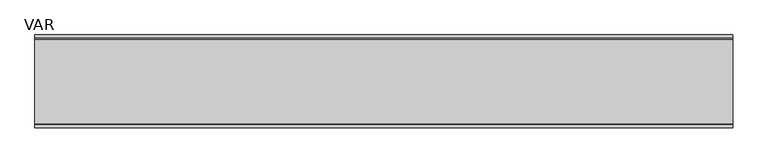
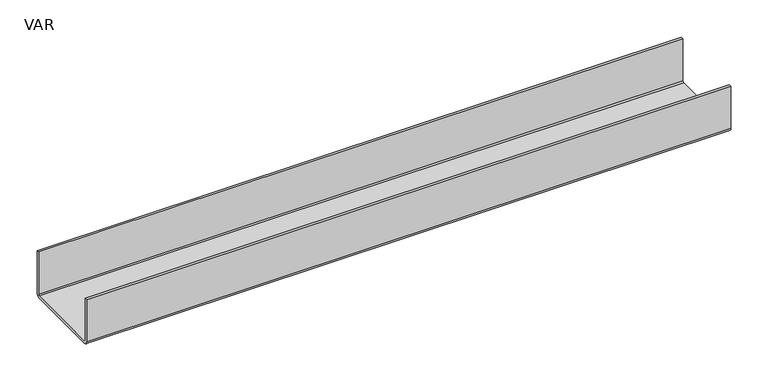
"""IFC4 building model written with IfcOpenShell, lengths in millimetres: sanitary terminal geometry, VAR."""

from ifc_helpers import new_model, si_unit, point, frame, frame_2d, origin, place, context, project, spatial, polyline, circle_curve, trimmed, segment, composite_curve, outline, extrude, source, transform, mapped, element, save


def var_b7910a4e(model_context):
    return source(origin(), model_context, "Body", "SweptSolid", [
        extrude(outline(composite_curve([segment(trimmed(circle_curve(frame_2d((60.5, -69.0)), 6.0), [point((66.5, -69.0))], [point((60.5, -75.0))], False, "CARTESIAN"), True, "CONTINUOUS"), segment(polyline([(60.5, -75.0), (-60.5, -75.0)]), True, "CONTINUOUS"), segment(trimmed(circle_curve(frame_2d((-60.5, -69.0)), 6.0), [point((-60.5, -75.0))], [point((-66.5, -69.0))], False, "CARTESIAN"), True, "CONTINUOUS"), segment(polyline([(-66.5, -69.0), (-66.5, 0.0), (-62.5, 0.0), (-62.5, -69.0)]), True, "CONTINUOUS"), segment(trimmed(circle_curve(frame_2d((-60.5, -69.0)), 2.0), [point((-62.5, -69.0))], [point((-60.5, -71.0))], True, "CARTESIAN"), True, "CONTINUOUS"), segment(polyline([(-60.5, -71.0), (60.5, -71.0)]), True, "CONTINUOUS"), segment(trimmed(circle_curve(frame_2d((60.5, -69.0)), 2.0), [point((60.5, -71.0))], [point((62.5, -69.0))], True, "CARTESIAN"), True, "CONTINUOUS"), segment(polyline([(62.5, -69.0), (62.5, 0.0), (66.5, 0.0), (66.5, -69.0)]), True, "CONTINUOUS")], self_intersect=False)), frame((0.0, 0.0, 0.0), z_axis=(1.0, 0.0, 0.0), x_axis=(0.0, 1.0, 0.0)), (0.0, 0.0, 1.0), 1000.0),
    ])


if __name__ == "__main__":
    model = new_model("IFC4")
    model_context = context("Model", 3, world=origin())
    ifc_project = project(units=[si_unit("LENGTHUNIT", "METRE", prefix="MILLI")], contexts=[model_context])
    site = spatial("IfcSite", under=ifc_project)
    building = spatial("IfcBuilding", under=site)
    placement = place(None, origin())
    var_shape = var_b7910a4e(model_context)
    element("IfcSanitaryTerminal", 1, ObjectType="VAR", at=placement, inside=building, context=model_context, shape_type="MappedRepresentation", body=[
        mapped(var_shape, transform((0.0, 0.0, 0.0), x_axis=(1.0, 0.0, 0.0), y_axis=(0.0, 1.0, 0.0), z_axis=(0.0, 0.0, 1.0))),
    ])
    save(model, "model.ifc")
